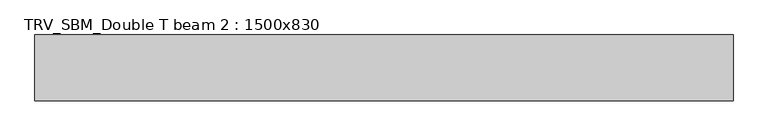
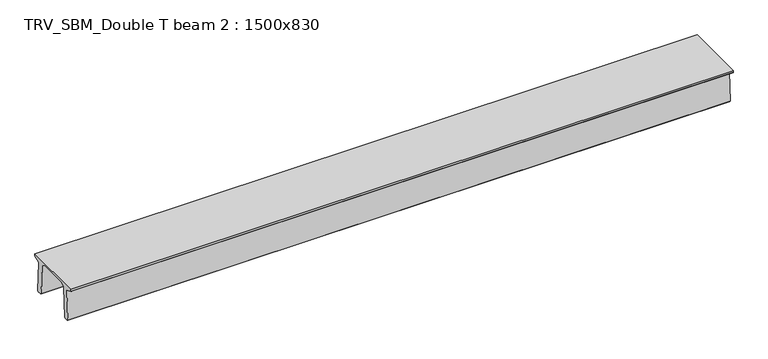
"""IFC4 building model written with IfcOpenShell, lengths in millimetres: beam geometry, TRV_SBM_Double T beam 2 : 1500x830."""

from ifc_helpers import new_model, si_unit, frame, origin, place, context, project, spatial, polyline, outline, extrude, source, transform, mapped, element, save


def trv_sbm_double_t_beam_2_1500x830_84d487f4(model_context):
    return source(origin(), model_context, "Body", "SweptSolid", [
        extrude(outline(polyline([(337.4555014, 470.0), (-343.4555014, 470.0), (-456.5828437, 409.8491251), (-494.786332, -340.5206011), (-514.2657308, -360.0), (-604.2657308, -360.0), (-624.8277662, -339.4379646), (-586.9373878, 401.9654693), (-752.8511046, 468.9989621), (-753.0, 475.0), (-753.0, 520.0), (747.0, 520.0), (747.0, 475.0), (746.8511046, 468.9989621), (580.9373878, 401.9654693), (618.8277662, -339.4379646), (598.2657308, -360.0), (508.2657308, -360.0), (488.786332, -340.5206011), (450.5828437, 409.8491251), (337.4555014, 470.0)])), frame((-7968.5, 0.0, 0.0), z_axis=(1.0, 0.0, 0.0), x_axis=(0.0, 1.0, 0.0)), (0.0, 0.0, 1.0), 15937.0),
    ])


if __name__ == "__main__":
    model = new_model("IFC4")
    model_context = context("Model", 3, world=origin())
    ifc_project = project(units=[si_unit("LENGTHUNIT", "METRE", prefix="MILLI")], contexts=[model_context])
    site = spatial("IfcSite", under=ifc_project)
    building = spatial("IfcBuilding", under=site)
    placement = place(None, origin())
    trv_sbm_double_t_beam_2_1500x830_shape = trv_sbm_double_t_beam_2_1500x830_84d487f4(model_context)
    element("IfcBeam", 1, ObjectType="TRV_SBM_Double T beam 2 : 1500x830", at=placement, inside=building, context=model_context, shape_type="MappedRepresentation", body=[
        mapped(trv_sbm_double_t_beam_2_1500x830_shape, transform((0.0, 0.0, 0.0), x_axis=(1.0, 0.0, 0.0), y_axis=(0.0, 1.0, 0.0), z_axis=(0.0, 0.0, 1.0))),
    ])
    save(model, "model.ifc")
